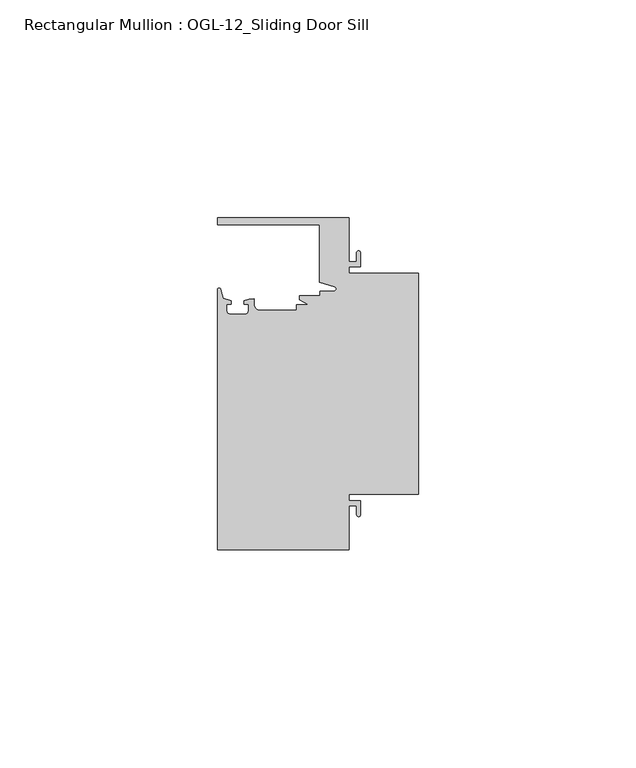
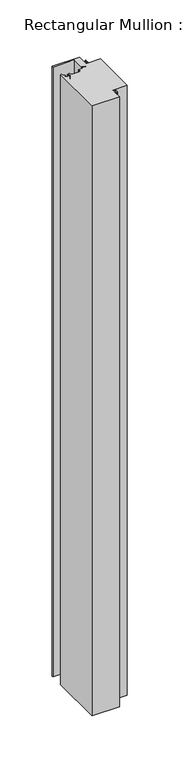
"""IFC4 building model written with IfcOpenShell, lengths in millimetres: member geometry, Rectangular Mullion : OGL-12_Sliding Door Sill."""

from ifc_helpers import new_model, si_unit, point, frame, frame_2d, origin, place, context, project, spatial, polyline, circle_curve, trimmed, segment, composite_curve, outline, extrude, source, transform, mapped, element, save


def rectangular_mullion_ogl_12_sliding_door_sill_192ff4a7(model_context):
    return source(origin(), model_context, "Body", "SweptSolid", [
        extrude(outline(composite_curve([segment(polyline([(0.0, 25.4), (0.0, -25.4), (-15.934238, -25.4), (-15.934238, -26.8479425), (-13.2417195, -26.8479425), (-13.2417195, -30.0428503)]), True, "CONTINUOUS"), segment(trimmed(circle_curve(frame_2d((-13.6974747, -30.0428503)), 0.4557552), [point((-13.2417195, -30.0428503))], [point((-14.15323, -30.0428503))], False, "CARTESIAN"), True, "CONTINUOUS"), segment(polyline([(-14.15323, -30.0428503), (-14.15323, -28.0544425), (-15.934238, -28.0544425), (-15.934238, -38.1003208), (-46.0931306, -38.1003208), (-46.0931306, 21.6259141)]), True, "CONTINUOUS"), segment(trimmed(circle_curve(frame_2d((-45.7573546, 21.6259141)), 0.335776), [point((-46.0931306, 21.6259141))], [point((-45.434586, 21.7184665))], False, "CARTESIAN"), True, "CONTINUOUS"), segment(polyline([(-45.434586, 21.7184665), (-44.83413, 19.6244274), (-43.0244711, 19.0364336), (-43.0244711, 18.2246744), (-44.0028338, 18.2246744), (-44.0028338, 16.7746773)]), True, "CONTINUOUS"), segment(trimmed(circle_curve(frame_2d((-43.2028354, 16.7746773)), 0.7999984), [point((-44.0028338, 16.7746773))], [point((-43.2028354, 15.9746789))], True, "CARTESIAN"), True, "CONTINUOUS"), segment(polyline([(-43.2028354, 15.9746789), (-39.8028422, 15.9746789)]), True, "CONTINUOUS"), segment(trimmed(circle_curve(frame_2d((-39.8028422, 16.7746773)), 0.7999984), [point((-39.8028422, 15.9746789))], [point((-39.0028438, 16.7746773))], True, "CARTESIAN"), True, "CONTINUOUS"), segment(polyline([(-39.0028438, 16.7746773), (-39.0028438, 18.2246744), (-39.9812066, 18.2246744), (-39.9812066, 19.0676205), (-38.8813571, 19.4491353), (-37.7528423, 19.4819389), (-37.7528423, 18.2799969)]), True, "CONTINUOUS"), segment(trimmed(circle_curve(frame_2d((-36.3386331, 18.2778896)), 1.4142107), [point((-37.7528423, 18.2799969))], [point((-36.3386331, 16.8636789))], True, "CARTESIAN"), True, "CONTINUOUS"), segment(polyline([(-36.3386331, 16.8636789), (-27.9268052, 16.8636789), (-27.9268052, 18.1505375), (-25.1995125, 18.1505375), (-27.2970068, 19.265795), (-27.2970068, 20.2164975), (-22.6027094, 20.2164975), (-22.6027094, 21.2536528), (-19.3562398, 21.2536528)]), True, "CONTINUOUS"), segment(trimmed(circle_curve(frame_2d((-19.3562398, 21.789076)), 0.5354233), [point((-19.3562398, 21.2536528))], [point((-19.2086572, 22.3037579))], True, "CARTESIAN"), True, "CONTINUOUS"), segment(polyline([(-19.2086572, 22.3037579), (-22.6260049, 23.2836666), (-22.6260049, 36.5121792), (-46.0931306, 36.5121792), (-46.0931306, 38.0996792), (-15.934238, 38.0996792), (-15.934238, 28.0538009), (-14.15323, 28.0538009), (-14.15323, 30.0428503)]), True, "CONTINUOUS"), segment(trimmed(circle_curve(frame_2d((-13.6974747, 30.0428503)), 0.4557552), [point((-14.15323, 30.0428503))], [point((-13.2417195, 30.0428503))], False, "CARTESIAN"), True, "CONTINUOUS"), segment(polyline([(-13.2417195, 30.0428503), (-13.2417195, 26.8473009), (-15.934238, 26.8473009), (-15.934238, 25.4), (0.0, 25.4)]), True, "CONTINUOUS")], self_intersect=False)), frame((0.0, 0.0, -711.2), z_axis=(0.0, 0.0, 1.0), x_axis=(1.0, 0.0, 0.0)), (0.0, 0.0, 1.0), 711.2),
    ])


if __name__ == "__main__":
    model = new_model("IFC4")
    model_context = context("Model", 3, world=origin())
    ifc_project = project(units=[si_unit("LENGTHUNIT", "METRE", prefix="MILLI")], contexts=[model_context])
    site = spatial("IfcSite", under=ifc_project)
    building = spatial("IfcBuilding", under=site)
    placement = place(None, origin())
    rectangular_mullion_ogl_12_sliding_door_sill_shape = rectangular_mullion_ogl_12_sliding_door_sill_192ff4a7(model_context)
    element("IfcMember", 1, ObjectType="Rectangular Mullion : OGL-12_Sliding Door Sill", at=placement, inside=building, context=model_context, shape_type="MappedRepresentation", body=[
        mapped(rectangular_mullion_ogl_12_sliding_door_sill_shape, transform((0.0, 0.0, 0.0), x_axis=(1.0, 0.0, 0.0), y_axis=(0.0, 1.0, 0.0), z_axis=(0.0, 0.0, 1.0))),
    ])
    save(model, "model.ifc")
